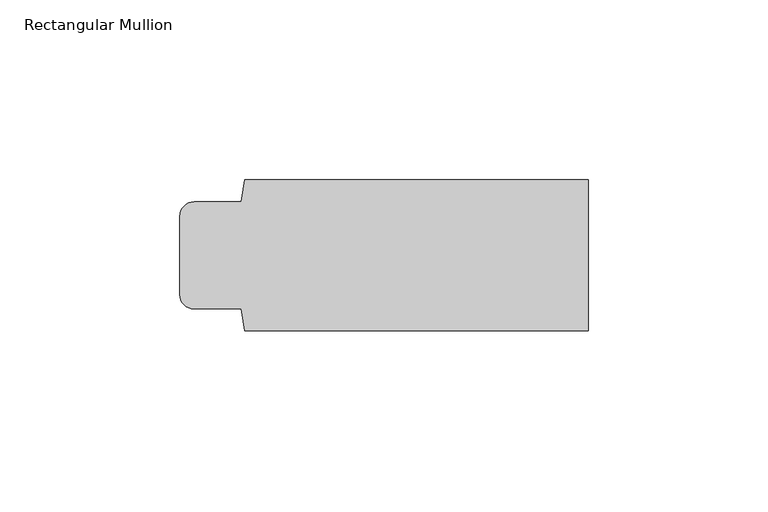
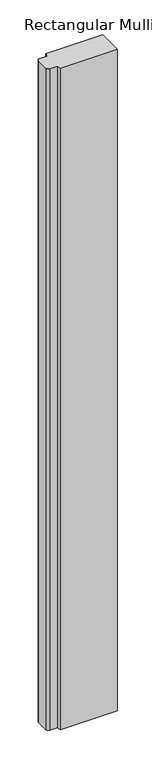
"""IFC4 building model written with IfcOpenShell, lengths in millimetres: member geometry, Rectangular Mullion."""

from ifc_helpers import new_model, si_unit, point, frame, frame_2d, origin, place, context, project, spatial, polyline, circle_curve, trimmed, segment, composite_curve, outline, extrude, source, transform, mapped, element, save


def rectangular_mullion_eb57d294(model_context):
    return source(origin(), model_context, "Body", "SweptSolid", [
        extrude(outline(composite_curve([segment(polyline([(0.0, 21.0), (0.0, -21.0), (-95.5, -21.0), (-96.5, -14.9), (-109.5, -14.9)]), True, "CONTINUOUS"), segment(trimmed(circle_curve(frame_2d((-109.5, -10.9)), 4.0), [point((-109.5, -14.9))], [point((-113.5, -10.9))], False, "CARTESIAN"), True, "CONTINUOUS"), segment(polyline([(-113.5, -10.9), (-113.5, 10.9)]), True, "CONTINUOUS"), segment(trimmed(circle_curve(frame_2d((-109.5, 10.9)), 4.0), [point((-113.5, 10.9))], [point((-109.5, 14.9))], False, "CARTESIAN"), True, "CONTINUOUS"), segment(polyline([(-109.5, 14.9), (-96.5, 14.9), (-95.5, 21.0), (0.0, 21.0)]), True, "CONTINUOUS")], self_intersect=False)), frame((0.0, 0.0, -1173.0), z_axis=(0.0, 0.0, 1.0), x_axis=(1.0, 0.0, 0.0)), (0.0, 0.0, 1.0), 1173.0),
    ])


if __name__ == "__main__":
    model = new_model("IFC4")
    model_context = context("Model", 3, world=origin())
    ifc_project = project(units=[si_unit("LENGTHUNIT", "METRE", prefix="MILLI")], contexts=[model_context])
    site = spatial("IfcSite", under=ifc_project)
    building = spatial("IfcBuilding", under=site)
    placement = place(None, origin())
    rectangular_mullion_shape = rectangular_mullion_eb57d294(model_context)
    element("IfcMember", 1, ObjectType="Rectangular Mullion", at=placement, inside=building, context=model_context, shape_type="MappedRepresentation", body=[
        mapped(rectangular_mullion_shape, transform((0.0, 0.0, 0.0), x_axis=(1.0, 0.0, 0.0), y_axis=(0.0, 1.0, 0.0), z_axis=(0.0, 0.0, 1.0))),
    ])
    save(model, "model.ifc")
